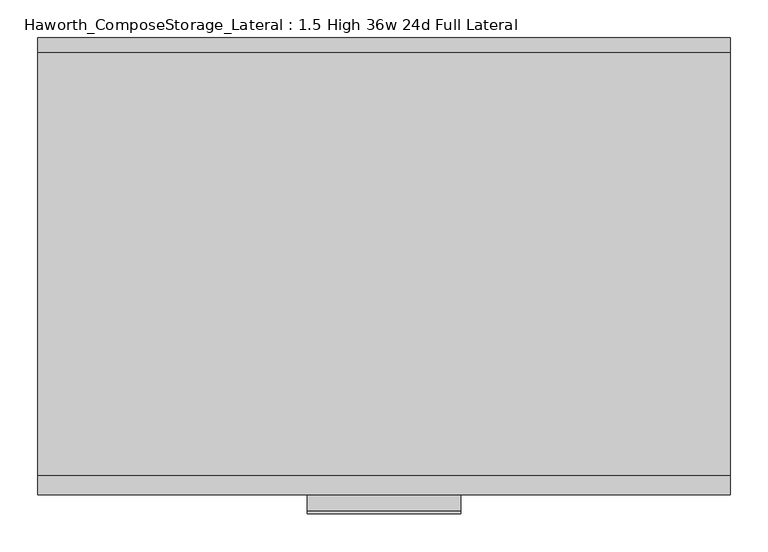
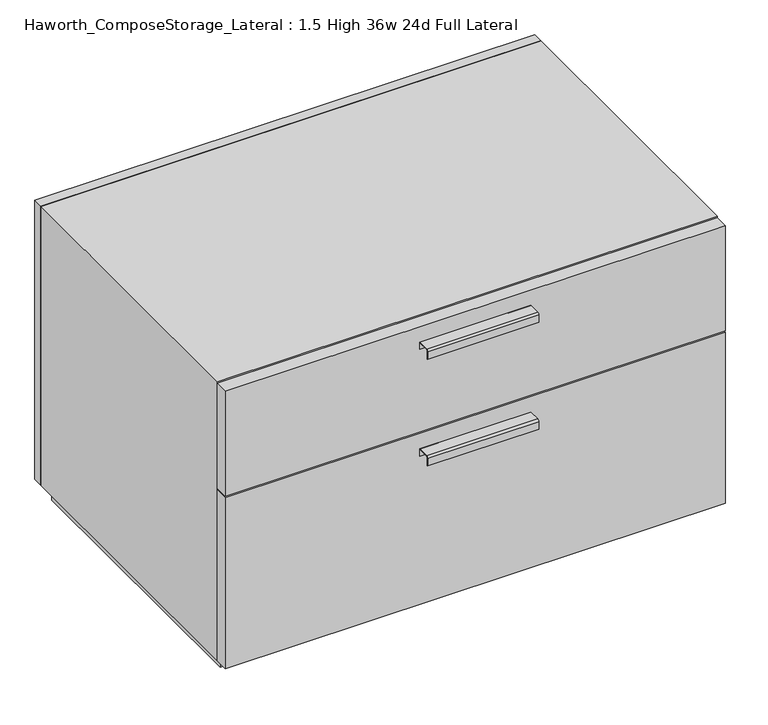
"""IFC4 building model written with IfcOpenShell, lengths in millimetres: furniture geometry, Haworth_ComposeStorage_Lateral : 1.5 High 36w 24d Full Lateral."""

from ifc_helpers import new_model, si_unit, point, frame, frame_2d, origin, origin_with_axes, place, context, project, spatial, polyline, circle_curve, trimmed, segment, composite_curve, outline, extrude, source, transform, mapped, element, save


def haworth_composestorage_lateral_1_5_high_36w_24d_full_lateral_9aa47a15(model_context):
    return source(origin(), model_context, "Body", "SweptSolid", [
        extrude(outline(composite_curve([segment(polyline([(-276.2250242, 532.3919215), (-254.0, 532.3919215), (-254.0, 518.9299525), (-254.7937742, 518.9299525), (-254.7937742, 531.5982199), (-276.2250242, 531.5982199)]), True, "CONTINUOUS"), segment(trimmed(circle_curve(frame_2d((-276.2250242, 529.2142808)), 2.3839392), [point((-276.2250242, 531.5982199))], [point((-278.6089634, 529.2142808))], True, "CARTESIAN"), True, "CONTINUOUS"), segment(polyline([(-278.6089634, 529.2142808), (-278.6089634, 514.6119021), (-279.3999758, 514.6119021), (-279.3999758, 529.2169699)]), True, "CONTINUOUS"), segment(trimmed(circle_curve(frame_2d((-276.2250242, 529.2169699)), 3.1749516), [point((-279.3999758, 529.2169699))], [point((-276.2250242, 532.3919215))], False, "CARTESIAN"), True, "CONTINUOUS")], self_intersect=False)), frame((-101.5861094, 0.0, 0.0), z_axis=(1.0, 0.0, 0.0), x_axis=(0.0, 1.0, 0.0)), (0.0, 0.0, 1.0), 203.2),
        extrude(outline(polyline([(457.2138906, -228.6), (457.2138906, -254.0), (-457.1861094, -254.0), (-457.1861094, -228.6), (457.2138906, -228.6)])), frame((0.0, 0.0, 358.775), z_axis=(0.0, 0.0, 1.0), x_axis=(1.0, 0.0, 0.0)), (0.0, 0.0, 1.0), 203.2),
        extrude(outline(composite_curve([segment(polyline([(-276.2250242, 326.0169215), (-254.0, 326.0169215), (-254.0, 312.5549525), (-254.7937742, 312.5549525), (-254.7937742, 325.2232199), (-276.2250242, 325.2232199)]), True, "CONTINUOUS"), segment(trimmed(circle_curve(frame_2d((-276.2250242, 322.8392808)), 2.3839392), [point((-276.2250242, 325.2232199))], [point((-278.6089634, 322.8392808))], True, "CARTESIAN"), True, "CONTINUOUS"), segment(polyline([(-278.6089634, 322.8392808), (-278.6089634, 308.2369021), (-279.3999758, 308.2369021), (-279.3999758, 322.8419699)]), True, "CONTINUOUS"), segment(trimmed(circle_curve(frame_2d((-276.2250242, 322.8419699)), 3.1749516), [point((-279.3999758, 322.8419699))], [point((-276.2250242, 326.0169215))], False, "CARTESIAN"), True, "CONTINUOUS")], self_intersect=False)), frame((-101.5861094, 0.0, 0.0), z_axis=(1.0, 0.0, 0.0), x_axis=(0.0, 1.0, 0.0)), (0.0, 0.0, 1.0), 203.2),
        extrude(outline(polyline([(457.2138906, -228.6), (457.2138906, -254.0), (-457.1861094, -254.0), (-457.1861094, -228.6), (457.2138906, -228.6)])), frame((0.0, 0.0, 25.4), z_axis=(0.0, 0.0, 1.0), x_axis=(1.0, 0.0, 0.0)), (0.0, 0.0, 1.0), 330.2),
        extrude(outline(polyline([(457.2138906, 330.2), (-457.1861094, 330.2), (-457.1861094, 349.25), (457.2138906, 349.25), (457.2138906, 330.2)])), frame((0.0, 0.0, 25.4), z_axis=(0.0, 0.0, 1.0), x_axis=(1.0, 0.0, 0.0)), (0.0, 0.0, 1.0), 539.75),
        extrude(outline(polyline([(25.4, -457.1861094), (25.4, 457.2), (565.15, 457.2), (565.15, -457.1861094), (25.4, -457.1861094)]), holes=[polyline([(44.45, -438.1361094), (546.1, -438.1361094), (546.1, 438.1361094), (44.45, 438.1361094), (44.45, -438.1361094)])]), frame((0.0, -228.6, 0.0), z_axis=(0.0, 1.0, 0.0), x_axis=(0.0, 0.0, 1.0)), (0.0, 0.0, 1.0), 558.8),
        extrude(outline(polyline([(-438.1291641, 295.275), (-438.1291641, 304.8), (438.1569453, 304.8), (438.1569453, 295.275), (-438.1291641, 295.275)])), frame((0.0, 0.0, 44.45), z_axis=(0.0, 0.0, 1.0), x_axis=(1.0, 0.0, 0.0)), (0.0, 0.0, 1.0), 501.65),
        extrude(outline(polyline([(444.5138906, -215.9), (-444.4861094, -215.9), (-444.4861094, 317.5), (444.5138906, 317.5), (444.5138906, -215.9)])), origin_with_axes(), (0.0, 0.0, 1.0), 25.4),
    ])


if __name__ == "__main__":
    model = new_model("IFC4")
    model_context = context("Model", 3, world=origin())
    ifc_project = project(units=[si_unit("LENGTHUNIT", "METRE", prefix="MILLI")], contexts=[model_context])
    site = spatial("IfcSite", under=ifc_project)
    building = spatial("IfcBuilding", under=site)
    placement = place(None, origin())
    haworth_composestorage_lateral_1_5_high_36w_24d_full_lateral_shape = haworth_composestorage_lateral_1_5_high_36w_24d_full_lateral_9aa47a15(model_context)
    element("IfcFurniture", 1, ObjectType="Haworth_ComposeStorage_Lateral : 1.5 High 36w 24d Full Lateral", at=placement, inside=building, context=model_context, shape_type="MappedRepresentation", body=[
        mapped(haworth_composestorage_lateral_1_5_high_36w_24d_full_lateral_shape, transform((0.0, 0.0, 0.0), x_axis=(1.0, 0.0, 0.0), y_axis=(0.0, 1.0, 0.0), z_axis=(0.0, 0.0, 1.0))),
    ])
    save(model, "model.ifc")
